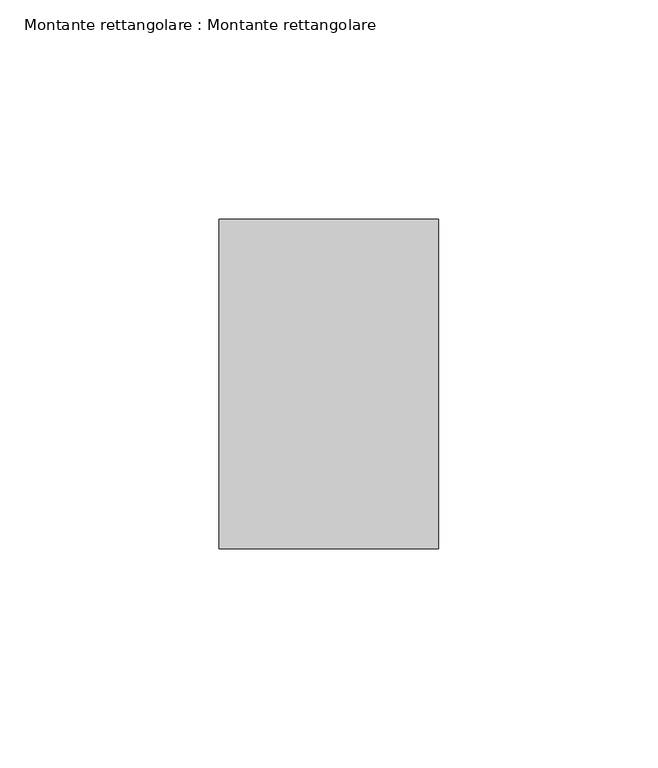
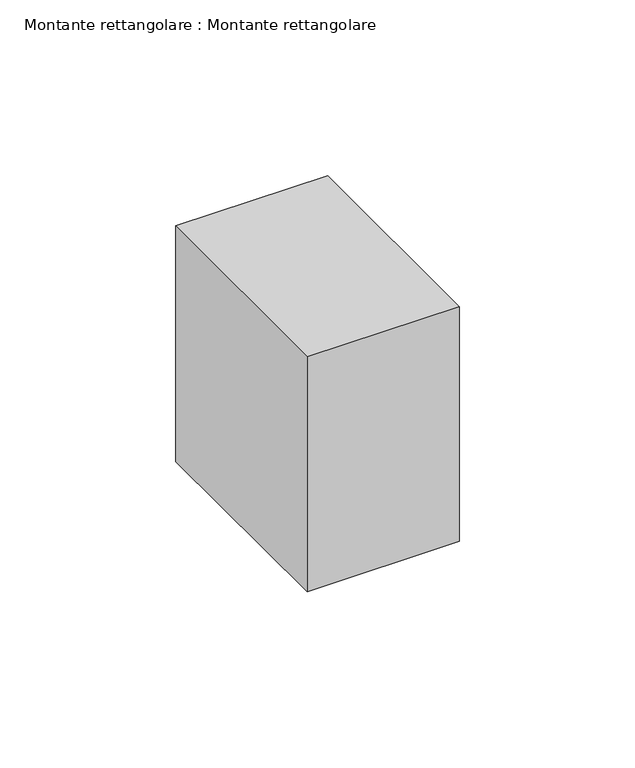
"""IFC4 building model written with IfcOpenShell, lengths in millimetres: member geometry, Montante rettangolare : Montante rettangolare."""

from ifc_helpers import new_model, si_unit, frame, origin, place, context, project, spatial, polyline, outline, extrude, source, transform, mapped, element, save


def montante_rettangolare_montante_rettangolare_b65513bf(model_context):
    return source(origin(), model_context, "Body", "SweptSolid", [
        extrude(outline(polyline([(-37.5, -0.027136), (37.5, 0.0271098), (37.5, -81.8838867), (-37.5, -81.6509199), (-37.5, -0.027136)])), frame((-50.0, 0.0, 0.0), z_axis=(1.0, 0.0, 0.0), x_axis=(0.0, 1.0, 0.0)), (0.0, 0.0, 1.0), 50.0),
    ])


if __name__ == "__main__":
    model = new_model("IFC4")
    model_context = context("Model", 3, world=origin())
    ifc_project = project(units=[si_unit("LENGTHUNIT", "METRE", prefix="MILLI")], contexts=[model_context])
    site = spatial("IfcSite", under=ifc_project)
    building = spatial("IfcBuilding", under=site)
    placement = place(None, origin())
    montante_rettangolare_montante_rettangolare_shape = montante_rettangolare_montante_rettangolare_b65513bf(model_context)
    element("IfcMember", 1, ObjectType="Montante rettangolare : Montante rettangolare", at=placement, inside=building, context=model_context, shape_type="MappedRepresentation", body=[
        mapped(montante_rettangolare_montante_rettangolare_shape, transform((0.0, 0.0, 0.0), x_axis=(1.0, 0.0, 0.0), y_axis=(0.0, 1.0, 0.0), z_axis=(0.0, 0.0, 1.0))),
    ])
    save(model, "model.ifc")
